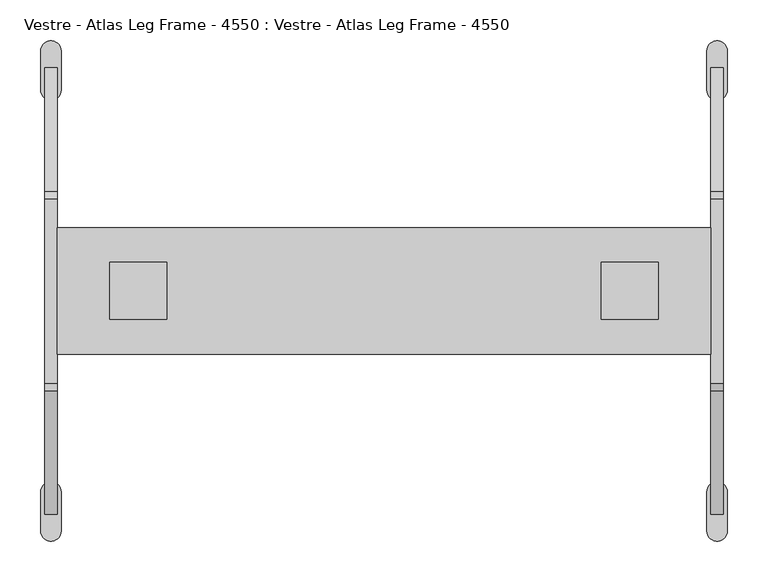
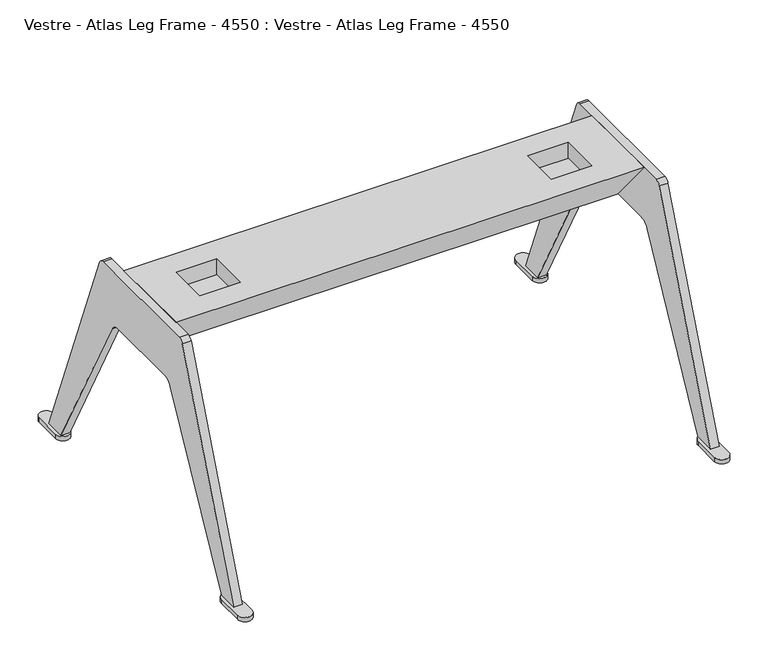
"""IFC4 building model written with IfcOpenShell, lengths in millimetres: furniture geometry, Vestre - Atlas Leg Frame - 4550 : Vestre - Atlas Leg Frame - 4550."""

from ifc_helpers import new_model, si_unit, point, frame, frame_2d, origin, origin_with_axes, place, context, project, spatial, polyline, circle_curve, trimmed, segment, composite_curve, outline, extrude, faceted_brep, source, transform, mapped, element, save


def vestre_atlas_leg_frame_4550_vestre_atlas_leg_frame_4550_1c373a75(model_context):
    return source(origin(), model_context, "Body", "SolidModel", [
        faceted_brep([(401.4993301, 0.0, 304.9999878), (401.4993301, 77.4828432, 400.0000031), (401.4993301, -77.4832792, 400.0000031), (-401.4993301, 0.0, 304.9999878), (-401.4993301, -77.4832792, 400.0000031), (-401.4993301, 77.4828432, 400.0000031), (-266.4994308, 34.9996805, 400.0000031), (-266.4994308, -35.0001165, 400.0000031), (-336.4992279, -35.0001165, 400.0000031), (-336.4992279, 34.9996805, 400.0000031), (336.500972, 34.9996805, 400.0000031), (336.500972, -35.0001165, 400.0000031), (266.5005936, -35.0001165, 400.0000031), (266.5005936, 34.9996805, 400.0000031), (-266.4994308, -35.0001165, 370.8502198), (-266.4994308, 34.9996805, 370.8502198), (-336.4992279, 34.9996805, 370.8502198), (-336.4992279, -35.0001165, 370.8502198), (336.500972, -35.0001165, 370.8502198), (336.500972, 34.9996805, 370.8502198), (266.5005936, 34.9996805, 370.8502198), (266.5005936, -35.0001165, 370.8502198)], [[[0, 1, 2]], [[3, 4, 5]], [[1, 0, 3, 5]], [[2, 1, 5, 4], [6, 7, 8, 9], [10, 11, 12, 13]], [[0, 2, 4, 3]], [[14, 15, 16, 17]], [[18, 19, 20, 21]], [[15, 14, 7, 6]], [[16, 15, 6, 9]], [[17, 16, 9, 8]], [[14, 17, 8, 7]], [[19, 18, 11, 10]], [[20, 19, 10, 13]], [[21, 20, 13, 12]], [[18, 21, 12, 11]]]),
        extrude(outline(composite_curve([segment(trimmed(circle_curve(frame_2d((-408.9991631, 294.7881019)), 12.5001091), [point((-421.4992722, 294.7881019))], [point((-396.499054, 294.7881019))], False, "CARTESIAN"), True, "CONTINUOUS"), segment(polyline([(-396.499054, 294.7881019), (-396.499054, 246.6671022)]), True, "CONTINUOUS"), segment(trimmed(circle_curve(frame_2d((-408.9991631, 246.6671022)), 12.5001091), [point((-396.499054, 246.6671022))], [point((-421.4992722, 246.6671022))], False, "CARTESIAN"), True, "CONTINUOUS"), segment(polyline([(-421.4992722, 246.6671022), (-421.4992722, 294.7881019)]), True, "CONTINUOUS")], self_intersect=False)), origin_with_axes(), (0.0, 0.0, 1.0), 7.85),
        extrude(outline(composite_curve([segment(polyline([(421.4992722, 294.7881019), (421.4992722, 246.6671022)]), True, "CONTINUOUS"), segment(trimmed(circle_curve(frame_2d((408.9991631, 246.6671022)), 12.5001091), [point((421.4992722, 246.6671022))], [point((396.499054, 246.6671022))], False, "CARTESIAN"), True, "CONTINUOUS"), segment(polyline([(396.499054, 246.6671022), (396.499054, 294.7881019)]), True, "CONTINUOUS"), segment(trimmed(circle_curve(frame_2d((408.9991631, 294.7881019)), 12.5001091), [point((396.499054, 294.7881019))], [point((421.4992722, 294.7881019))], False, "CARTESIAN"), True, "CONTINUOUS")], self_intersect=False)), origin_with_axes(), (0.0, 0.0, 1.0), 7.85),
        extrude(outline(composite_curve([segment(polyline([(-421.4992722, -294.7881019), (-421.4992722, -246.6671022)]), True, "CONTINUOUS"), segment(trimmed(circle_curve(frame_2d((-408.9991631, -246.6671022)), 12.5001091), [point((-421.4992722, -246.6671022))], [point((-396.499054, -246.6671022))], False, "CARTESIAN"), True, "CONTINUOUS"), segment(polyline([(-396.499054, -246.6671022), (-396.499054, -294.7881019)]), True, "CONTINUOUS"), segment(trimmed(circle_curve(frame_2d((-408.9991631, -294.7881019)), 12.5001091), [point((-396.499054, -294.7881019))], [point((-421.4992722, -294.7881019))], False, "CARTESIAN"), True, "CONTINUOUS")], self_intersect=False)), origin_with_axes(), (0.0, 0.0, 1.0), 7.85),
        extrude(outline(composite_curve([segment(trimmed(circle_curve(frame_2d((408.9991631, -294.7881019)), 12.5001091), [point((421.4992722, -294.7881019))], [point((396.499054, -294.7881019))], False, "CARTESIAN"), True, "CONTINUOUS"), segment(polyline([(396.499054, -294.7881019), (396.499054, -246.6671022)]), True, "CONTINUOUS"), segment(trimmed(circle_curve(frame_2d((408.9991631, -246.6671022)), 12.5001091), [point((396.499054, -246.6671022))], [point((421.4992722, -246.6671022))], False, "CARTESIAN"), True, "CONTINUOUS"), segment(polyline([(421.4992722, -246.6671022), (421.4992722, -294.7881019)]), True, "CONTINUOUS")], self_intersect=False)), origin_with_axes(), (0.0, 0.0, 1.0), 7.85),
        extrude(outline(composite_curve([segment(polyline([(274.4581476, 7.85), (238.7432621, 7.85), (86.6507551, 294.3770811)]), True, "CONTINUOUS"), segment(trimmed(circle_curve(frame_2d((68.9852486, 284.9999878)), 20.0), [point((86.6507551, 294.3770811))], [point((68.9852486, 304.9999878))], True, "CARTESIAN"), True, "CONTINUOUS"), segment(polyline([(68.9852486, 304.9999878), (-68.9852486, 304.9999878)]), True, "CONTINUOUS"), segment(trimmed(circle_curve(frame_2d((-68.9852486, 284.9999878)), 20.0), [point((-68.9852486, 304.9999878))], [point((-86.6507551, 294.3770811))], True, "CARTESIAN"), True, "CONTINUOUS"), segment(polyline([(-86.6507551, 294.3770811), (-238.7432621, 7.85), (-274.4581476, 7.85), (-122.5040271, 393.6645503)]), True, "CONTINUOUS"), segment(trimmed(circle_curve(frame_2d((-113.1996683, 390.0000031)), 10.0), [point((-122.5040271, 393.6645503))], [point((-113.1996683, 400.0000031))], False, "CARTESIAN"), True, "CONTINUOUS"), segment(polyline([(-113.1996683, 400.0000031), (113.1996683, 400.0000031)]), True, "CONTINUOUS"), segment(trimmed(circle_curve(frame_2d((113.1996683, 390.0000031)), 10.0), [point((113.1996683, 400.0000031))], [point((122.5040271, 393.6645503))], False, "CARTESIAN"), True, "CONTINUOUS"), segment(polyline([(122.5040271, 393.6645503), (274.4581476, 7.85)]), True, "CONTINUOUS")], self_intersect=False)), frame((401.4993301, 0.0, 0.0), z_axis=(1.0, 0.0, 0.0), x_axis=(0.0, 1.0, 0.0)), (0.0, 0.0, 1.0), 14.9996658),
        extrude(outline(composite_curve([segment(polyline([(274.4581476, 7.85), (238.7432621, 7.85), (86.6507551, 294.3770811)]), True, "CONTINUOUS"), segment(trimmed(circle_curve(frame_2d((68.9852486, 284.9999878)), 20.0), [point((86.6507551, 294.3770811))], [point((68.9852486, 304.9999878))], True, "CARTESIAN"), True, "CONTINUOUS"), segment(polyline([(68.9852486, 304.9999878), (-68.9852486, 304.9999878)]), True, "CONTINUOUS"), segment(trimmed(circle_curve(frame_2d((-68.9852486, 284.9999878)), 20.0), [point((-68.9852486, 304.9999878))], [point((-86.6507551, 294.3770811))], True, "CARTESIAN"), True, "CONTINUOUS"), segment(polyline([(-86.6507551, 294.3770811), (-238.7432621, 7.85), (-274.4581476, 7.85), (-122.5040271, 393.6645503)]), True, "CONTINUOUS"), segment(trimmed(circle_curve(frame_2d((-113.1996683, 390.0000031)), 10.0), [point((-122.5040271, 393.6645503))], [point((-113.1996683, 400.0000031))], False, "CARTESIAN"), True, "CONTINUOUS"), segment(polyline([(-113.1996683, 400.0000031), (113.1996683, 400.0000031)]), True, "CONTINUOUS"), segment(trimmed(circle_curve(frame_2d((113.1996683, 390.0000031)), 10.0), [point((113.1996683, 400.0000031))], [point((122.5040271, 393.6645503))], False, "CARTESIAN"), True, "CONTINUOUS"), segment(polyline([(122.5040271, 393.6645503), (274.4581476, 7.85)]), True, "CONTINUOUS")], self_intersect=False)), frame((-416.498996, 0.0, 0.0), z_axis=(1.0, 0.0, 0.0), x_axis=(0.0, 1.0, 0.0)), (0.0, 0.0, 1.0), 14.9996658),
    ])


if __name__ == "__main__":
    model = new_model("IFC4")
    model_context = context("Model", 3, world=origin())
    ifc_project = project(units=[si_unit("LENGTHUNIT", "METRE", prefix="MILLI")], contexts=[model_context])
    site = spatial("IfcSite", under=ifc_project)
    building = spatial("IfcBuilding", under=site)
    placement = place(None, origin())
    vestre_atlas_leg_frame_4550_vestre_atlas_leg_frame_4550_shape = vestre_atlas_leg_frame_4550_vestre_atlas_leg_frame_4550_1c373a75(model_context)
    element("IfcFurniture", 1, ObjectType="Vestre - Atlas Leg Frame - 4550 : Vestre - Atlas Leg Frame - 4550", at=placement, inside=building, context=model_context, shape_type="MappedRepresentation", body=[
        mapped(vestre_atlas_leg_frame_4550_vestre_atlas_leg_frame_4550_shape, transform((0.0, 0.0, 0.0), x_axis=(1.0, 0.0, 0.0), y_axis=(0.0, 1.0, 0.0), z_axis=(0.0, 0.0, 1.0))),
    ])
    save(model, "model.ifc")
